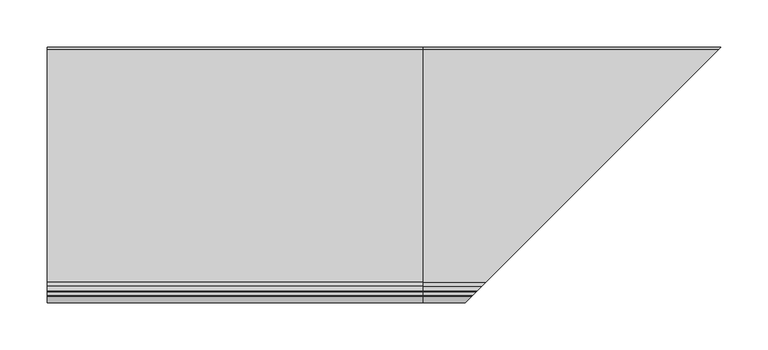
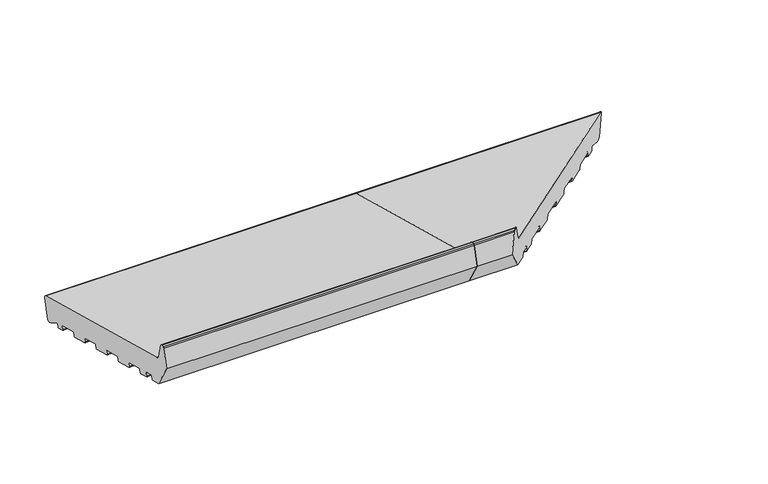
"""IFC4 building model written with IfcOpenShell, lengths in millimetres: proxy geometry."""

import ifcopenshell
import ifcopenshell.guid

model = None  # the IFC model being written
_history = None  # IfcOwnerHistory: only IFC2X3 demands one
_inside = {}  # id of a spatial element -> (the spatial element, [elements in it])
_under = {}  # id of a project, library or spatial element -> (it, [spatial elements below it])
_declared = {}  # id of a project -> (the project, [libraries it declares])
_typed = {}  # id of a type object -> (the type object, [elements of that type])
_made_of = {}  # id of a material, layer set ... -> (it, [elements and type objects made of it])


def new_model(schema):
    """Start an empty IFC model of exactly this schema.

    Asked for "IFC4X3", IfcOpenShell would pick the latest addendum, in which some entities
    have other attributes; the version numbers below select the first issue.
    IFC2X3 requires an IfcOwnerHistory on every rooted entity: one is made here for all.
    """
    global model, _history
    if schema == "IFC4X3":
        model = ifcopenshell.file(schema_version=(4, 3, 0, 0))
    else:
        model = ifcopenshell.file(schema=schema)
    _inside.clear()
    _under.clear()
    _declared.clear()
    _typed.clear()
    _made_of.clear()
    _history = None
    if model.schema == "IFC2X3":
        org = make("IfcOrganization", Name="unknown")
        user = make(
            "IfcPersonAndOrganization",
            ThePerson=make("IfcPerson", FamilyName="unknown"),
            TheOrganization=org,
        )
        app = make(
            "IfcApplication",
            ApplicationDeveloper=org,
            Version="unknown",
            ApplicationFullName="unknown",
            ApplicationIdentifier="unknown",
        )
        _history = make(
            "IfcOwnerHistory",
            OwningUser=user,
            OwningApplication=app,
            ChangeAction="ADDED",
            CreationDate=0,
        )
    return model


def make(cls, **values):
    """One entity of the class cls with the attributes given. An attribute that is None is left unset."""
    return model.create_entity(
        cls, **{name: value for name, value in values.items() if value is not None}
    )


def rooted(cls, **values):
    """An entity with a GlobalId (a new one), such as an element, a storey or a relation."""
    return make(cls, GlobalId=ifcopenshell.guid.new(), OwnerHistory=_history, **values)


def si_unit(unit_type, name, prefix=None):
    """IfcSIUnit, for example si_unit("LENGTHUNIT", "METRE", prefix="MILLI")."""
    return make("IfcSIUnit", UnitType=unit_type, Prefix=prefix, Name=name)


def assignment(units):
    """IfcUnitAssignment: the units of a project."""
    return None if units is None else make("IfcUnitAssignment", Units=units)


def point(xyz):
    """IfcCartesianPoint."""
    return None if xyz is None else make("IfcCartesianPoint", Coordinates=xyz)


def direction(xyz):
    """IfcDirection."""
    return None if xyz is None else make("IfcDirection", DirectionRatios=xyz)


def frame(location, z_axis=None, x_axis=None):
    """IfcAxis2Placement3D, a coordinate frame: its origin and axes. An axis left out is left unset."""
    return make(
        "IfcAxis2Placement3D",
        Location=point(location),
        Axis=direction(z_axis),
        RefDirection=direction(x_axis),
    )


def frame_2d(location, x_axis=None):
    """IfcAxis2Placement2D, a coordinate frame in the plane: its origin and x axis."""
    return make(
        "IfcAxis2Placement2D", Location=point(location), RefDirection=direction(x_axis)
    )


def origin():
    """The frame at (0, 0, 0) with its axes left unset."""
    return frame((0.0, 0.0, 0.0))


def place(relative_to, where):
    """IfcLocalPlacement: puts the frame where relative to a parent placement (None: the world)."""
    return make(
        "IfcLocalPlacement", PlacementRelTo=relative_to, RelativePlacement=where
    )


def context(
    kind, dimensions, precision=None, world=None, true_north=None, identifier=None
):
    """IfcGeometricRepresentationContext, for example the 3D "Model" context."""
    return make(
        "IfcGeometricRepresentationContext",
        ContextIdentifier=identifier,
        ContextType=kind,
        CoordinateSpaceDimension=dimensions,
        Precision=precision,
        WorldCoordinateSystem=world,
        TrueNorth=true_north,
    )


def project(units=None, contexts=None):
    """IfcProject with its units and contexts."""
    return rooted(
        "IfcProject",
        Name="project",
        RepresentationContexts=contexts,
        UnitsInContext=assignment(units),
    )


def spatial(cls, under=None, at=None, **own):
    """A site, building, storey or space (cls), placed at a placement, below another one or the project."""
    s = rooted(cls, ObjectPlacement=at, **own)
    if under is not None:
        _under.setdefault(under.id(), (under, []))[1].append(s)
    return s


def polyline(points):
    """IfcPolyline through the points."""
    return make("IfcPolyline", Points=[point(p) for p in points])


def circle_curve(where, radius):
    """IfcCircle in the frame where."""
    return make("IfcCircle", Position=where, Radius=radius)


def ellipse_curve(where, semi_axis1, semi_axis2):
    """IfcEllipse in the frame where."""
    return make(
        "IfcEllipse", Position=where, SemiAxis1=semi_axis1, SemiAxis2=semi_axis2
    )


def trimmed(basis, trim1, trim2, sense, master):
    """IfcTrimmedCurve: the piece of a basis curve between two trims."""
    return make(
        "IfcTrimmedCurve",
        BasisCurve=basis,
        Trim1=trim1,
        Trim2=trim2,
        SenseAgreement=sense,
        MasterRepresentation=master,
    )


def segment(curve, same_sense, transition):
    """IfcCompositeCurveSegment."""
    return make(
        "IfcCompositeCurveSegment",
        Transition=transition,
        SameSense=same_sense,
        ParentCurve=curve,
    )


def composite_curve(segments, self_intersect=None):
    """IfcCompositeCurve: segments joined end to end."""
    return make("IfcCompositeCurve", Segments=segments, SelfIntersect=self_intersect)


def outline(outer, holes=None, kind="AREA"):
    """IfcArbitraryClosedProfileDef: a profile drawn as a closed curve; with holes, ...WithVoids."""
    if holes is None:
        return make("IfcArbitraryClosedProfileDef", ProfileType=kind, OuterCurve=outer)
    return make(
        "IfcArbitraryProfileDefWithVoids",
        ProfileType=kind,
        OuterCurve=outer,
        InnerCurves=holes,
    )


def extrude(swept, where, along, depth):
    """IfcExtrudedAreaSolid: the profile swept, set in the frame where, extruded along a direction by depth."""
    return make(
        "IfcExtrudedAreaSolid",
        SweptArea=swept,
        Position=where,
        ExtrudedDirection=direction(along),
        Depth=depth,
    )


def shape(context_of_items, identifier, shape_type, items):
    """IfcShapeRepresentation: the items that make up one representation, for example the "Body"."""
    return make(
        "IfcShapeRepresentation",
        ContextOfItems=context_of_items,
        RepresentationIdentifier=identifier,
        RepresentationType=shape_type,
        Items=items,
    )


def source(mapping_origin, context_of_items, identifier, shape_type, items):
    """IfcRepresentationMap: a shape defined once, which mapped items show again and again."""
    return make(
        "IfcRepresentationMap",
        MappingOrigin=mapping_origin,
        MappedRepresentation=shape(context_of_items, identifier, shape_type, items),
    )


def transform(
    local_origin,
    x_axis=None,
    y_axis=None,
    z_axis=None,
    scale=None,
    scale2=None,
    scale3=None,
    uniform=True,
):
    """IfcCartesianTransformationOperator3D, or its non-uniform kind. x_axis, y_axis, z_axis: its Axis1, 2, 3."""
    if uniform:
        return make(
            "IfcCartesianTransformationOperator3D",
            Axis1=direction(x_axis),
            Axis2=direction(y_axis),
            LocalOrigin=point(local_origin),
            Scale=scale,
            Axis3=direction(z_axis),
        )
    return make(
        "IfcCartesianTransformationOperator3DnonUniform",
        Axis1=direction(x_axis),
        Axis2=direction(y_axis),
        LocalOrigin=point(local_origin),
        Scale=scale,
        Axis3=direction(z_axis),
        Scale2=scale2,
        Scale3=scale3,
    )


def mapped(mapping_source, mapping_target):
    """IfcMappedItem: shows the shape of a source again, moved by a transform."""
    return make(
        "IfcMappedItem", MappingSource=mapping_source, MappingTarget=mapping_target
    )


def made_of(thing, what):
    """Note that an element or type object is made of a material, layer set ...; save() writes the relation."""
    if what is not None:
        _made_of.setdefault(what.id(), (what, []))[1].append(thing)
    return thing


def element(
    cls,
    number,
    at=None,
    inside=None,
    cuts=None,
    type_object=None,
    material=None,
    context=None,
    identifier="Body",
    shape_type=None,
    held_by="IfcProductDefinitionShape",
    body=None,
    shapes=None,
    **own,
):
    """One element of the class cls, such as IfcWall. Its Tag is "e" and its number.

    at: its placement. inside: the storey or other place that contains it. cuts: it is an
    opening in that element (IfcRelVoidsElement). A single representation is given by context,
    identifier, shape_type and body (its items); several are given by shapes. held_by: the class
    of the entity that holds the representations. save() writes the other relations.
    """
    e = rooted(cls, Tag="e%d" % number, ObjectPlacement=at, **own)
    if body is not None:
        shapes = [shape(context, identifier, shape_type, body)]
    if shapes is not None:
        e.Representation = make(held_by, Representations=shapes)
    if inside is not None:
        _inside.setdefault(inside.id(), (inside, []))[1].append(e)
    if cuts is not None:
        rooted(
            "IfcRelVoidsElement", RelatingBuildingElement=cuts, RelatedOpeningElement=e
        )
    if type_object is not None:
        _typed.setdefault(type_object.id(), (type_object, []))[1].append(e)
    return made_of(e, material)


def aggregate(whole, parts):
    """IfcRelAggregates: a whole, such as a stair, and the parts it consists of."""
    return rooted("IfcRelAggregates", RelatingObject=whole, RelatedObjects=parts)


def save(model, path):
    """Write the relations noted so far, then the file.

    IfcRelAggregates (storeys below a building ...), IfcRelContainedInSpatialStructure (elements
    in a storey), IfcRelDefinesByType, IfcRelAssociatesMaterial and IfcRelDeclares: one each for
    every whole, place, type object, material and project.
    """
    for whole, parts in _under.values():
        aggregate(whole, parts)
    for where, things in _inside.values():
        rooted(
            "IfcRelContainedInSpatialStructure",
            RelatedElements=things,
            RelatingStructure=where,
        )
    for kind, things in _typed.values():
        rooted("IfcRelDefinesByType", RelatedObjects=things, RelatingType=kind)
    for what, things in _made_of.values():
        rooted("IfcRelAssociatesMaterial", RelatedObjects=things, RelatingMaterial=what)
    for by, libraries in _declared.values():
        rooted("IfcRelDeclares", RelatingContext=by, RelatedDefinitions=libraries)
    model.write(path)


def plane_surface(at):
    """IfcPlane: the flat surface through the origin of the frame at, square to its z axis."""
    return make("IfcPlane", Position=at)


def cylinder_surface(at, radius):
    """IfcCylindricalSurface: all points at the distance radius from the z axis of the frame at."""
    return make("IfcCylindricalSurface", Position=at, Radius=radius)


def revolved_surface(curve, axis_point, axis_direction):
    """IfcSurfaceOfRevolution: the curve turned about the line through axis_point along axis_direction."""
    return make(
        "IfcSurfaceOfRevolution",
        SweptCurve=make("IfcArbitraryOpenProfileDef", ProfileType="CURVE", Curve=curve),
        AxisPosition=make("IfcAxis1Placement", Location=point(axis_point), Axis=direction(axis_direction)),
    )


def advanced_brep(points, edges, surfaces, faces):
    """IfcAdvancedBrep: a solid bounded by faces that lie on surfaces and meet in shared edges.

    An edge is (start, end): straight between two places in points (the first is 0);
    or (start, end, curve); or (start, end, curve, False) where it runs against its curve.
    A face is (place in surfaces, loops), or (place, loops, False) where it looks against
    its surface's normal. A loop lists edges by number (the first is 1), with a minus sign
    where the edge is run from its end to its start. The first loop is the outer one.
    """
    corners = [point(p) for p in points]
    vertices = [make("IfcVertexPoint", VertexGeometry=c) for c in corners]
    made = []
    for start, end, *more in edges:
        made.append(
            make(
                "IfcEdgeCurve",
                EdgeStart=vertices[start],
                EdgeEnd=vertices[end],
                EdgeGeometry=more[0] if more else make("IfcPolyline", Points=[corners[start], corners[end]]),
                SameSense=more[1] if len(more) > 1 else True,
            )
        )
    hull = []
    for where, loops, *sense in faces:
        bounds = []
        for j, loop in enumerate(loops):
            ring = [make("IfcOrientedEdge", EdgeElement=made[abs(k) - 1], Orientation=k > 0) for k in loop]
            bounds.append(
                make(
                    "IfcFaceOuterBound" if j == 0 else "IfcFaceBound",
                    Bound=make("IfcEdgeLoop", EdgeList=ring),
                    Orientation=True,
                )
            )
        hull.append(make("IfcAdvancedFace", Bounds=bounds, FaceSurface=surfaces[where], SameSense=sense[0] if sense else True))
    return make("IfcAdvancedBrep", Outer=make("IfcClosedShell", CfsFaces=hull))


def generic_models_9fc6a334(model_context):
    return source(origin(), model_context, "Body", "SolidModel", [
        advanced_brep(
        [(400.0, 24.3497968, 5.5107678), (400.0, 21.6330192, 6.2387261), (400.0, 7.4647895, 14.8261724), (400.0, 5.9805337, 14.2298107), (400.0, 5.0312803, 10.6871487), (400.0, 3.8065354, 9.9800419), (400.0, -4.886797, 12.3094133), (400.0, -5.5939038, 13.5341582), (400.0, -4.5586276, 17.3978615), (400.0, -5.2657344, 18.6226064), (400.0, -28.4479542, 24.8342634), (400.0, -29.6726991, 24.1271567), (400.0, -30.7079753, 20.2634534), (400.0, -31.9327202, 19.5563466), (400.0, -54.1490142, 25.5091846), (400.0, -54.856121, 26.7339295), (400.0, -53.8208448, 30.5976328), (400.0, -54.5279516, 31.8223777), (400.0, -77.7101714, 38.0340347), (400.0, -78.9349163, 37.326928), (400.0, -79.9701924, 33.4632247), (400.0, -81.1949373, 32.7561179), (400.0, -103.4112313, 38.7089559), (400.0, -104.1183381, 39.9337008), (400.0, -103.0830619, 43.7974041), (400.0, -103.7901687, 45.022149), (400.0, -126.9723885, 51.233806), (400.0, -128.1971334, 50.5266993), (400.0, -129.2324096, 46.662996), (400.0, -130.4571545, 45.9558892), (400.0, -152.6734485, 51.9087272), (400.0, -153.3805552, 53.1334721), (400.0, -152.3452791, 56.9971754), (400.0, -153.0523858, 58.2219203), (400.0, -176.2346057, 64.4335773), (400.0, -177.4593505, 63.7264706), (400.0, -178.4946267, 59.8627673), (400.0, -179.7193716, 59.1556605), (400.0, -192.2764073, 62.5203081), (400.0, -192.9835141, 63.7450529), (400.0, -191.9482379, 67.6087562), (400.0, -192.6553447, 68.8335011), (400.0, -202.314603, 71.4216916), (400.0, -203.5393479, 70.7145848), (400.0, -204.574624, 66.8508815), (400.0, -205.7993689, 66.1437747), (400.0, -219.3223305, 69.7672413), (400.0, -237.0, 100.3858631), (400.0, -230.4291321, 124.908676), (400.0, -228.9802434, 126.0204474), (400.0, -225.6368689, 126.0204474), (400.0, -224.1879801, 124.908676), (400.0, -219.4052841, 107.0594112), (400.0, -215.1626434, 102.8167705), (400.0, 32.6320062, 36.4203942), (400.0, 34.7533266, 32.7461596), (400.0, 28.0240314, 7.6320881), (710.0240314, 28.0240314, 7.6320881), (706.3497968, 24.3497968, 5.5107678), (716.7533266, 34.7533266, 32.7461596), (714.6320062, 32.6320062, 36.4203942), (466.8373566, -215.1626434, 102.8167705), (462.5947159, -219.4052841, 107.0594112), (457.8120199, -224.1879801, 124.908676), (456.3631311, -225.6368689, 126.0204474), (453.0197566, -228.9802434, 126.0204474), (451.5708679, -230.4291321, 124.908676), (445.0, -237.0, 100.3858631), (462.6776695, -219.3223305, 69.7672413), (476.2006311, -205.7993689, 66.1437747), (477.425376, -204.574624, 66.8508815), (478.4606521, -203.5393479, 70.7145848), (479.685397, -202.314603, 71.4216916), (489.3446553, -192.6553447, 68.8335011), (490.0517621, -191.9482379, 67.6087562), (489.0164859, -192.9835141, 63.7450529), (489.7235927, -192.2764073, 62.5203081), (502.2806284, -179.7193716, 59.1556605), (503.5053733, -178.4946267, 59.8627673), (504.5406495, -177.4593505, 63.7264706), (505.7653943, -176.2346057, 64.4335773), (703.6330192, 21.6330192, 6.2387261), (528.9476142, -153.0523858, 58.2219203), (529.3265515, -152.6734485, 51.9087272), (528.6194448, -153.3805552, 53.1334721), (529.6547209, -152.3452791, 56.9971754), (551.5428455, -130.4571545, 45.9558892), (552.7675904, -129.2324096, 46.662996), (553.8028666, -128.1971334, 50.5266993), (555.0276115, -126.9723885, 51.233806), (578.2098313, -103.7901687, 45.022149), (578.9169381, -103.0830619, 43.7974041), (577.8816619, -104.1183381, 39.9337008), (578.5887687, -103.4112313, 38.7089559), (600.8050627, -81.1949373, 32.7561179), (602.0298076, -79.9701924, 33.4632247), (603.0650837, -78.9349163, 37.326928), (604.2898286, -77.7101714, 38.0340347), (627.4720484, -54.5279516, 31.8223777), (628.1791552, -53.8208448, 30.5976328), (627.143879, -54.856121, 26.7339295), (627.8509858, -54.1490142, 25.5091846), (650.0672798, -31.9327202, 19.5563466), (651.2920247, -30.7079753, 20.2634534), (652.3273009, -29.6726991, 24.1271567), (653.5520458, -28.4479542, 24.8342634), (676.7342656, -5.2657344, 18.6226064), (677.4413724, -4.5586276, 17.3978615), (676.4060962, -5.5939038, 13.5341582), (677.113203, -4.886797, 12.3094133), (685.8065354, 3.8065354, 9.9800419), (687.0312803, 5.0312803, 10.6871487), (687.9805337, 5.9805337, 14.2298107), (689.4647895, 7.4647895, 14.8261724)],
        [
            (0, 1),
            (1, 2),
            (2, 3, circle_curve(frame((400.0, 6.9464595, 13.9709917), z_axis=(1.0, 0.0, 0.0), x_axis=(0.0, 1.0, 0.0)), 1.0)),
            (3, 4),
            (4, 5, circle_curve(frame((400.0, 4.0653544, 10.9459677), z_axis=(-1.0, 0.0, 0.0), x_axis=(0.0, 1.0, 0.0)), 1.0)),
            (5, 6),
            (6, 7, circle_curve(frame((400.0, -4.627978, 13.2753391), z_axis=(-1.0, 0.0, 0.0), x_axis=(0.0, 1.0, 0.0)), 1.0)),
            (7, 8),
            (8, 9, circle_curve(frame((400.0, -5.5245535, 17.6566805), z_axis=(1.0, 0.0, 0.0), x_axis=(0.0, 1.0, 0.0)), 1.0)),
            (9, 10),
            (10, 11, circle_curve(frame((400.0, -28.7067733, 23.8683376), z_axis=(1.0, 0.0, 0.0), x_axis=(0.0, 1.0, 0.0)), 1.0)),
            (11, 12),
            (12, 13, circle_curve(frame((400.0, -31.6739011, 20.5222724), z_axis=(-1.0, 0.0, 0.0), x_axis=(0.0, 1.0, 0.0)), 1.0)),
            (13, 14),
            (14, 15, circle_curve(frame((400.0, -53.8901951, 26.4751104), z_axis=(-1.0, 0.0, 0.0), x_axis=(0.0, 1.0, 0.0)), 1.0)),
            (15, 16),
            (16, 17, circle_curve(frame((400.0, -54.7867706, 30.8564518), z_axis=(1.0, 0.0, 0.0), x_axis=(0.0, 1.0, 0.0)), 1.0)),
            (17, 18),
            (18, 19, circle_curve(frame((400.0, -77.9689904, 37.0681089), z_axis=(1.0, 0.0, 0.0), x_axis=(0.0, 1.0, 0.0)), 1.0)),
            (19, 20),
            (20, 21, circle_curve(frame((400.0, -80.9361183, 33.7220437), z_axis=(-1.0, 0.0, 0.0), x_axis=(0.0, 1.0, 0.0)), 1.0)),
            (21, 22),
            (22, 23, circle_curve(frame((400.0, -103.1524123, 39.6748817), z_axis=(-1.0, 0.0, 0.0), x_axis=(0.0, 1.0, 0.0)), 1.0)),
            (23, 24),
            (24, 25, circle_curve(frame((400.0, -104.0489877, 44.0562231), z_axis=(1.0, 0.0, 0.0), x_axis=(0.0, 1.0, 0.0)), 1.0)),
            (25, 26),
            (26, 27, circle_curve(frame((400.0, -127.2312076, 50.2678802), z_axis=(1.0, 0.0, 0.0), x_axis=(0.0, 1.0, 0.0)), 1.0)),
            (27, 28),
            (28, 29, circle_curve(frame((400.0, -130.1983354, 46.921815), z_axis=(-1.0, 0.0, 0.0), x_axis=(0.0, 1.0, 0.0)), 1.0)),
            (29, 30),
            (30, 31, circle_curve(frame((400.0, -152.4146294, 52.874653), z_axis=(-1.0, 0.0, 0.0), x_axis=(0.0, 1.0, 0.0)), 1.0)),
            (31, 32),
            (32, 33, circle_curve(frame((400.0, -153.3112049, 57.2559944), z_axis=(1.0, 0.0, 0.0), x_axis=(0.0, 1.0, 0.0)), 1.0)),
            (33, 34),
            (34, 35, circle_curve(frame((400.0, -176.4934247, 63.4676515), z_axis=(1.0, 0.0, 0.0), x_axis=(0.0, 1.0, 0.0)), 1.0)),
            (35, 36),
            (36, 37, circle_curve(frame((400.0, -179.4605525, 60.1215863), z_axis=(-1.0, 0.0, 0.0), x_axis=(0.0, 1.0, 0.0)), 1.0)),
            (37, 38),
            (38, 39, circle_curve(frame((400.0, -192.0175883, 63.4862339), z_axis=(-1.0, 0.0, 0.0), x_axis=(0.0, 1.0, 0.0)), 1.0)),
            (39, 40),
            (40, 41, circle_curve(frame((400.0, -192.9141638, 67.8675753), z_axis=(1.0, 0.0, 0.0), x_axis=(0.0, 1.0, 0.0)), 1.0)),
            (41, 42),
            (42, 43, circle_curve(frame((400.0, -202.573422, 70.4557657), z_axis=(1.0, 0.0, 0.0), x_axis=(0.0, 1.0, 0.0)), 1.0)),
            (43, 44),
            (44, 45, circle_curve(frame((400.0, -205.5405499, 67.1097005), z_axis=(-1.0, 0.0, 0.0), x_axis=(0.0, 1.0, 0.0)), 1.0)),
            (45, 46),
            (46, 47),
            (47, 48),
            (48, 49, circle_curve(frame((400.0, -228.9802434, 124.5204474), z_axis=(-1.0, 0.0, 0.0), x_axis=(0.0, 1.0, 0.0)), 1.5)),
            (49, 50),
            (50, 51, circle_curve(frame((400.0, -225.6368689, 124.5204474), z_axis=(-1.0, 0.0, 0.0), x_axis=(0.0, 1.0, 0.0)), 1.5)),
            (51, 52),
            (52, 53, circle_curve(frame((400.0, -213.6097291, 108.6123254), z_axis=(1.0, 0.0, 0.0), x_axis=(0.0, 1.0, 0.0)), 6.0)),
            (53, 54),
            (54, 55, circle_curve(frame((400.0, 31.8555491, 33.5226168), z_axis=(-1.0, 0.0, 0.0), x_axis=(0.0, 1.0, 0.0)), 3.0)),
            (55, 56),
            (56, 0, circle_curve(frame((400.0, 25.1262539, 8.4085453), z_axis=(-1.0, 0.0, 0.0), x_axis=(0.0, 1.0, 0.0)), 3.0)),
            (56, 57),
            (57, 58, ellipse_curve(frame((707.1262539, 25.1262539, 8.4085453), z_axis=(-0.707106781186548, 0.7071067811865471, 0.0), x_axis=(0.707106781186547, 0.707106781186548, 0.0)), 4.2426407, 3.0)),
            (58, 0),
            (55, 59),
            (59, 57),
            (54, 60),
            (60, 59, ellipse_curve(frame((713.8555491, 31.8555491, 33.5226168), z_axis=(-0.707106781186548, 0.7071067811865471, 0.0), x_axis=(0.707106781186547, 0.707106781186548, 0.0)), 4.2426407, 3.0)),
            (53, 61),
            (61, 60),
            (52, 62),
            (62, 61, ellipse_curve(frame((468.3902709, -213.6097291, 108.6123254), z_axis=(0.707106781186548, -0.7071067811865471, 0.0), x_axis=(-0.707106781186547, -0.707106781186548, 0.0)), 8.4852814, 6.0)),
            (51, 63),
            (63, 62),
            (50, 64),
            (64, 63, ellipse_curve(frame((456.3631311, -225.6368689, 124.5204474), z_axis=(-0.707106781186548, 0.7071067811865471, 0.0), x_axis=(0.707106781186547, 0.707106781186548, 0.0)), 2.1213203, 1.5)),
            (49, 65),
            (65, 64),
            (48, 66),
            (66, 65, ellipse_curve(frame((453.0197566, -228.9802434, 124.5204474), z_axis=(-0.707106781186548, 0.7071067811865471, 0.0), x_axis=(0.707106781186547, 0.707106781186548, 0.0)), 2.1213203, 1.5)),
            (47, 67),
            (67, 66),
            (46, 68),
            (68, 67),
            (45, 69),
            (69, 68),
            (44, 70),
            (70, 69, ellipse_curve(frame((476.4594501, -205.5405499, 67.1097005), z_axis=(-0.707106781186548, 0.7071067811865471, 0.0), x_axis=(0.707106781186547, 0.707106781186548, 0.0)), 1.4142136, 1.0)),
            (43, 71),
            (71, 70),
            (42, 72),
            (72, 71, ellipse_curve(frame((479.426578, -202.573422, 70.4557657), z_axis=(0.707106781186548, -0.7071067811865471, 0.0), x_axis=(-0.707106781186547, -0.707106781186548, 0.0)), 1.4142136, 1.0)),
            (41, 73),
            (73, 72),
            (40, 74),
            (74, 73, ellipse_curve(frame((489.0858362, -192.9141638, 67.8675753), z_axis=(0.707106781186548, -0.7071067811865471, 0.0), x_axis=(-0.707106781186547, -0.707106781186548, 0.0)), 1.4142136, 1.0)),
            (39, 75),
            (75, 74),
            (38, 76),
            (76, 75, ellipse_curve(frame((489.9824117, -192.0175883, 63.4862339), z_axis=(-0.707106781186548, 0.7071067811865471, 0.0), x_axis=(0.707106781186547, 0.707106781186548, 0.0)), 1.4142136, 1.0)),
            (37, 77),
            (77, 76),
            (36, 78),
            (78, 77, ellipse_curve(frame((502.5394475, -179.4605525, 60.1215863), z_axis=(-0.707106781186548, 0.7071067811865471, 0.0), x_axis=(0.707106781186547, 0.707106781186548, 0.0)), 1.4142136, 1.0)),
            (35, 79),
            (79, 78),
            (34, 80),
            (80, 79, ellipse_curve(frame((505.5065753, -176.4934247, 63.4676515), z_axis=(0.707106781186548, -0.7071067811865471, 0.0), x_axis=(-0.707106781186547, -0.707106781186548, 0.0)), 1.4142136, 1.0)),
            (58, 81),
            (81, 1),
            (33, 82),
            (82, 80),
            (30, 83),
            (83, 84, ellipse_curve(frame((529.5853706, -152.4146294, 52.874653), z_axis=(-0.707106781186548, 0.7071067811865471, 0.0), x_axis=(0.707106781186547, 0.707106781186548, 0.0)), 1.4142136, 1.0)),
            (84, 31),
            (84, 85),
            (85, 32),
            (85, 82, ellipse_curve(frame((528.6887951, -153.3112049, 57.2559944), z_axis=(0.707106781186548, -0.7071067811865471, 0.0), x_axis=(-0.707106781186547, -0.707106781186548, 0.0)), 1.4142136, 1.0)),
            (29, 86),
            (86, 83),
            (28, 87),
            (87, 86, ellipse_curve(frame((551.8016646, -130.1983354, 46.921815), z_axis=(-0.707106781186548, 0.7071067811865471, 0.0), x_axis=(0.707106781186547, 0.707106781186548, 0.0)), 1.4142136, 1.0)),
            (27, 88),
            (88, 87),
            (26, 89),
            (89, 88, ellipse_curve(frame((554.7687924, -127.2312076, 50.2678802), z_axis=(0.707106781186548, -0.7071067811865471, 0.0), x_axis=(-0.707106781186547, -0.707106781186548, 0.0)), 1.4142136, 1.0)),
            (25, 90),
            (90, 89),
            (90, 91, ellipse_curve(frame((577.9510123, -104.0489877, 44.0562231), z_axis=(-0.707106781186548, 0.7071067811865471, 0.0), x_axis=(-0.707106781186547, -0.707106781186548, 0.0)), 1.4142136, 1.0)),
            (91, 92),
            (92, 93, ellipse_curve(frame((578.8475877, -103.1524123, 39.6748817), z_axis=(0.707106781186548, -0.7071067811865471, 0.0), x_axis=(0.707106781186547, 0.707106781186548, 0.0)), 1.4142136, 1.0)),
            (93, 94),
            (94, 95, ellipse_curve(frame((601.0638817, -80.9361183, 33.7220437), z_axis=(0.707106781186548, -0.7071067811865471, 0.0), x_axis=(0.707106781186547, 0.707106781186548, 0.0)), 1.4142136, 1.0)),
            (95, 96),
            (96, 97, ellipse_curve(frame((604.0310096, -77.9689904, 37.0681089), z_axis=(-0.707106781186548, 0.7071067811865471, 0.0), x_axis=(-0.707106781186547, -0.707106781186548, 0.0)), 1.4142136, 1.0)),
            (97, 98),
            (98, 99, ellipse_curve(frame((627.2132294, -54.7867706, 30.8564518), z_axis=(-0.707106781186548, 0.7071067811865471, 0.0), x_axis=(-0.707106781186547, -0.707106781186548, 0.0)), 1.4142136, 1.0)),
            (99, 100),
            (100, 101, ellipse_curve(frame((628.1098049, -53.8901951, 26.4751104), z_axis=(0.707106781186548, -0.7071067811865471, 0.0), x_axis=(0.707106781186547, 0.707106781186548, 0.0)), 1.4142136, 1.0)),
            (101, 102),
            (102, 103, ellipse_curve(frame((650.3260989, -31.6739011, 20.5222724), z_axis=(0.707106781186548, -0.7071067811865471, 0.0), x_axis=(0.707106781186547, 0.707106781186548, 0.0)), 1.4142136, 1.0)),
            (103, 104),
            (104, 105, ellipse_curve(frame((653.2932267, -28.7067733, 23.8683376), z_axis=(-0.707106781186548, 0.7071067811865471, 0.0), x_axis=(-0.707106781186547, -0.707106781186548, 0.0)), 1.4142136, 1.0)),
            (105, 106),
            (106, 107, ellipse_curve(frame((676.4754465, -5.5245535, 17.6566805), z_axis=(-0.707106781186548, 0.7071067811865471, 0.0), x_axis=(-0.707106781186547, -0.707106781186548, 0.0)), 1.4142136, 1.0)),
            (107, 108),
            (108, 109, ellipse_curve(frame((677.372022, -4.627978, 13.2753391), z_axis=(0.707106781186548, -0.7071067811865471, 0.0), x_axis=(0.707106781186547, 0.707106781186548, 0.0)), 1.4142136, 1.0)),
            (109, 110),
            (110, 111, ellipse_curve(frame((686.0653544, 4.0653544, 10.9459677), z_axis=(0.707106781186548, -0.7071067811865471, 0.0), x_axis=(0.707106781186547, 0.707106781186548, 0.0)), 1.4142136, 1.0)),
            (111, 112),
            (112, 113, ellipse_curve(frame((688.9464595, 6.9464595, 13.9709917), z_axis=(-0.707106781186548, 0.7071067811865471, 0.0), x_axis=(-0.707106781186547, -0.707106781186548, 0.0)), 1.4142136, 1.0)),
            (113, 81),
            (17, 98),
            (97, 18),
            (96, 19),
            (95, 20),
            (94, 21),
            (93, 22),
            (92, 23),
            (91, 24),
            (9, 106),
            (105, 10),
            (104, 11),
            (103, 12),
            (102, 13),
            (101, 14),
            (100, 15),
            (99, 16),
            (113, 2),
            (112, 3),
            (111, 4),
            (110, 5),
            (109, 6),
            (108, 7),
            (107, 8),
        ],
        [
            plane_surface(frame((400.0, 0.0, 0.0), z_axis=(-1.0, 0.0, 0.0), x_axis=(0.0, 0.0, 1.0))),
            cylinder_surface(frame((717.4826586, 25.1262539, 8.4085453), z_axis=(1.0, 0.0, 0.0), x_axis=(0.0, 1.0, 0.0)), 3.0),
            plane_surface(frame((717.4826586, 34.7533266, 32.7461596), z_axis=(0.0, 0.9659258262890676, -0.2588190451025235), x_axis=(-1.0, 0.0, 0.0))),
            cylinder_surface(frame((717.4826586, 31.8555491, 33.5226168), z_axis=(1.0, 0.0, 0.0), x_axis=(0.0, 1.0, 0.0)), 3.0),
            plane_surface(frame((717.4826586, -215.1626434, 102.8167705), z_axis=(0.0, 0.2588190451025206, 0.9659258262890683), x_axis=(-1.0, 0.0, 0.0))),
            revolved_surface(polyline([(400.0, -207.6097291, 108.6123254), (474.39027091821606, -207.6097291, 108.6123254)]), (717.4826586, -213.6097291, 108.6123254), (-1.0, 0.0, 0.0)),
            plane_surface(frame((717.4826586, -224.1879801, 124.908676), z_axis=(0.0, 0.96592582628907, 0.2588190451025146), x_axis=(-1.0, 0.0, 0.0))),
            cylinder_surface(frame((717.4826586, -225.6368689, 124.5204474), z_axis=(1.0, 0.0, 0.0), x_axis=(0.0, 1.0, 0.0)), 1.5),
            plane_surface(frame((717.4826586, -228.9802434, 126.0204474), z_axis=(0.0, 0.0, 1.0), x_axis=(-1.0, 0.0, 0.0))),
            cylinder_surface(frame((717.4826586, -228.9802434, 124.5204474), z_axis=(1.0, 0.0, 0.0), x_axis=(0.0, 1.0, 0.0)), 1.5),
            plane_surface(frame((717.4826586, -237.0, 100.3858631), z_axis=(0.0, -0.9659258262890683, 0.2588190451025209), x_axis=(-1.0, 0.0, 0.0))),
            plane_surface(frame((717.4826586, -219.3223305, 69.7672413), z_axis=(0.0, -0.8660254037844384, -0.5000000000000007), x_axis=(-1.0, 0.0, 0.0))),
            plane_surface(frame((717.4826586, -205.7993689, 66.1437747), z_axis=(0.0, -0.2588190451025184, -0.965925826289069), x_axis=(-1.0, 0.0, 0.0))),
            cylinder_surface(frame((717.4826586, -205.5405499, 67.1097005), z_axis=(1.0, 0.0, 0.0), x_axis=(0.0, 1.0, 0.0)), 1.0),
            plane_surface(frame((717.4826586, -203.5393479, 70.7145848), z_axis=(0.0, 0.9659258262890633, -0.25881904510253945), x_axis=(-1.0, 0.0, 0.0))),
            revolved_surface(polyline([(400.0, -201.573422, 70.4557657), (480.42657802660625, -201.573422, 70.4557657)]), (717.4826586, -202.573422, 70.4557657), (-1.0, 0.0, 0.0)),
            plane_surface(frame((717.4826586, -192.6553447, 68.8335011), z_axis=(0.0, -0.25881904510251835, -0.965925826289069), x_axis=(-1.0, 0.0, 0.0))),
            revolved_surface(polyline([(400.0, -191.9141638, 67.8675753), (490.08583622660626, -191.9141638, 67.8675753)]), (717.4826586, -192.9141638, 67.8675753), (-1.0, 0.0, 0.0)),
            plane_surface(frame((717.4826586, -192.9835141, 63.7450529), z_axis=(0.0, -0.9659258262890634, 0.2588190451025389), x_axis=(-1.0, 0.0, 0.0))),
            cylinder_surface(frame((717.4826586, -192.0175883, 63.4862339), z_axis=(1.0, 0.0, 0.0), x_axis=(0.0, 1.0, 0.0)), 1.0),
            plane_surface(frame((717.4826586, -179.7193716, 59.1556605), z_axis=(0.0, -0.2588190451025211, -0.9659258262890682), x_axis=(-1.0, 0.0, 0.0))),
            cylinder_surface(frame((717.4826586, -179.4605525, 60.1215863), z_axis=(1.0, 0.0, 0.0), x_axis=(0.0, 1.0, 0.0)), 1.0),
            plane_surface(frame((717.4826586, -177.4593505, 63.7264706), z_axis=(0.0, 0.9659258262890634, -0.2588190451025389), x_axis=(-1.0, 0.0, 0.0))),
            revolved_surface(polyline([(400.0, -175.4934247, 63.4676515), (506.50657532660625, -175.4934247, 63.4676515)]), (717.4826586, -176.4934247, 63.4676515), (-1.0, 0.0, 0.0)),
            plane_surface(frame((717.4826586, 24.3497968, 5.5107678), z_axis=(0.0, -0.2588190451025044, -0.9659258262890728), x_axis=(-1.0, 0.0, 0.0))),
            plane_surface(frame((717.4826586, -153.0523858, 58.2219203), z_axis=(0.0, -0.2588190451025228, -0.9659258262890678), x_axis=(-1.0, 0.0, 0.0))),
            cylinder_surface(frame((717.4826586, -152.4146294, 52.874653), z_axis=(1.0, 0.0, 0.0), x_axis=(0.0, 1.0, 0.0)), 1.0),
            plane_surface(frame((717.4826586, -153.3805552, 53.1334721), z_axis=(0.0, -0.9659258262890634, 0.2588190451025389), x_axis=(-1.0, 0.0, 0.0))),
            revolved_surface(polyline([(400.0, -152.3112049, 57.2559944), (529.6887951266062, -152.3112049, 57.2559944)]), (717.4826586, -153.3112049, 57.2559944), (-1.0, 0.0, 0.0)),
            plane_surface(frame((717.4826586, -130.4571545, 45.9558892), z_axis=(0.0, -0.2588190451025197, -0.9659258262890685), x_axis=(-1.0, 0.0, 0.0))),
            cylinder_surface(frame((717.4826586, -130.1983354, 46.921815), z_axis=(1.0, 0.0, 0.0), x_axis=(0.0, 1.0, 0.0)), 1.0),
            plane_surface(frame((717.4826586, -128.1971334, 50.5266993), z_axis=(0.0, 0.9659258262890634, -0.2588190451025389), x_axis=(-1.0, 0.0, 0.0))),
            revolved_surface(polyline([(400.0, -126.2312076, 50.2678802), (555.7687924266063, -126.2312076, 50.2678802)]), (717.4826586, -127.2312076, 50.2678802), (-1.0, 0.0, 0.0)),
            plane_surface(frame((717.4826586, -103.7901687, 45.022149), z_axis=(0.0, -0.2588190451025182, -0.965925826289069), x_axis=(-1.0, 0.0, 0.0))),
            plane_surface(frame((663.2588285, -18.7411715, 0.0), z_axis=(0.707106781186548, -0.7071067811865471, 0.0), x_axis=(0.0, 0.0, 1.0))),
            plane_surface(frame((717.4826586, -54.5279516, 31.8223777), z_axis=(0.0, -0.2588190451025182, -0.965925826289069), x_axis=(-1.0, 0.0, 0.0))),
            revolved_surface(polyline([(400.0, -76.9689904, 37.0681089), (605.0310096266062, -76.9689904, 37.0681089)]), (717.4826586, -77.9689904, 37.0681089), (-1.0, 0.0, 0.0)),
            plane_surface(frame((717.4826586, -78.9349163, 37.326928), z_axis=(0.0, 0.9659258262890623, -0.2588190451025431), x_axis=(-1.0, 0.0, 0.0))),
            cylinder_surface(frame((717.4826586, -80.9361183, 33.7220437), z_axis=(1.0, 0.0, 0.0), x_axis=(0.0, 1.0, 0.0)), 1.0),
            plane_surface(frame((717.4826586, -81.1949373, 32.7561179), z_axis=(0.0, -0.2588190451025201, -0.9659258262890685), x_axis=(-1.0, 0.0, 0.0))),
            cylinder_surface(frame((717.4826586, -103.1524123, 39.6748817), z_axis=(1.0, 0.0, 0.0), x_axis=(0.0, 1.0, 0.0)), 1.0),
            plane_surface(frame((717.4826586, -104.1183381, 39.9337008), z_axis=(0.0, -0.9659258262890634, 0.2588190451025389), x_axis=(-1.0, 0.0, 0.0))),
            revolved_surface(polyline([(400.0, -103.0489877, 44.0562231), (578.9510123266062, -103.0489877, 44.0562231)]), (717.4826586, -104.0489877, 44.0562231), (-1.0, 0.0, 0.0)),
            plane_surface(frame((717.4826586, -5.2657344, 18.6226064), z_axis=(0.0, -0.25881904510252035, -0.9659258262890684), x_axis=(-1.0, 0.0, 0.0))),
            revolved_surface(polyline([(400.0, -27.7067733, 23.8683376), (654.2932267266062, -27.7067733, 23.8683376)]), (717.4826586, -28.7067733, 23.8683376), (-1.0, 0.0, 0.0)),
            plane_surface(frame((717.4826586, -29.6726991, 24.1271567), z_axis=(0.0, 0.9659258262890703, -0.2588190451025135), x_axis=(-1.0, 0.0, 0.0))),
            cylinder_surface(frame((717.4826586, -31.6739011, 20.5222724), z_axis=(1.0, 0.0, 0.0), x_axis=(0.0, 1.0, 0.0)), 1.0),
            plane_surface(frame((717.4826586, -31.9327202, 19.5563466), z_axis=(0.0, -0.2588190451025211, -0.9659258262890682), x_axis=(-1.0, 0.0, 0.0))),
            cylinder_surface(frame((717.4826586, -53.8901951, 26.4751104), z_axis=(1.0, 0.0, 0.0), x_axis=(0.0, 1.0, 0.0)), 1.0),
            plane_surface(frame((717.4826586, -54.856121, 26.7339295), z_axis=(0.0, -0.9659258262890782, 0.2588190451024839), x_axis=(-1.0, 0.0, 0.0))),
            revolved_surface(polyline([(400.0, -53.7867706, 30.8564518), (628.2132294266063, -53.7867706, 30.8564518)]), (717.4826586, -54.7867706, 30.8564518), (-1.0, 0.0, 0.0)),
            plane_surface(frame((717.4826586, 21.6330192, 6.2387261), z_axis=(0.0, -0.51832998343298, -0.8551806991942502), x_axis=(-1.0, 0.0, 0.0))),
            revolved_surface(polyline([(400.0, 7.9464595, 13.9709917), (689.9464595266062, 7.9464595, 13.9709917)]), (717.4826586, 6.9464595, 13.9709917), (-1.0, 0.0, 0.0)),
            plane_surface(frame((717.4826586, 5.9805337, 14.2298107), z_axis=(0.0, 0.9659258262890684, -0.2588190451025206), x_axis=(-1.0, 0.0, 0.0))),
            cylinder_surface(frame((717.4826586, 4.0653544, 10.9459677), z_axis=(1.0, 0.0, 0.0), x_axis=(0.0, 1.0, 0.0)), 1.0),
            plane_surface(frame((717.4826586, 3.8065354, 9.9800419), z_axis=(0.0, -0.2588190451025218, -0.9659258262890681), x_axis=(-1.0, 0.0, 0.0))),
            cylinder_surface(frame((717.4826586, -4.627978, 13.2753391), z_axis=(1.0, 0.0, 0.0), x_axis=(0.0, 1.0, 0.0)), 1.0),
            plane_surface(frame((717.4826586, -5.5939038, 13.5341582), z_axis=(0.0, -0.9659258262890701, 0.25881904510251386), x_axis=(-1.0, 0.0, 0.0))),
            revolved_surface(polyline([(400.0, -4.5245535, 17.6566805), (677.4754465266062, -4.5245535, 17.6566805)]), (717.4826586, -5.5245535, 17.6566805), (-1.0, 0.0, 0.0)),
        ],
        [
            (0, [[1, 2, 3, 4, 5, 6, 7, 8, 9, 10, 11, 12, 13, 14, 15, 16, 17, 18, 19, 20, 21, 22, 23, 24, 25, 26, 27, 28, 29, 30, 31, 32, 33, 34, 35, 36, 37, 38, 39, 40, 41, 42, 43, 44, 45, 46, 47, 48, 49, 50, 51, 52, 53, 54, 55, 56, 57]]),
            (1, [[58, 59, 60, -57]]),
            (2, [[61, 62, -58, -56]]),
            (3, [[63, 64, -61, -55]]),
            (4, [[65, 66, -63, -54]]),
            (5, [[67, 68, -65, -53]]),
            (6, [[69, 70, -67, -52]]),
            (7, [[71, 72, -69, -51]]),
            (8, [[73, 74, -71, -50]]),
            (9, [[75, 76, -73, -49]]),
            (10, [[77, 78, -75, -48]]),
            (11, [[79, 80, -77, -47]]),
            (12, [[81, 82, -79, -46]]),
            (13, [[83, 84, -81, -45]]),
            (14, [[85, 86, -83, -44]]),
            (15, [[87, 88, -85, -43]]),
            (16, [[89, 90, -87, -42]]),
            (17, [[91, 92, -89, -41]]),
            (18, [[93, 94, -91, -40]]),
            (19, [[95, 96, -93, -39]]),
            (20, [[97, 98, -95, -38]]),
            (21, [[99, 100, -97, -37]]),
            (22, [[101, 102, -99, -36]]),
            (23, [[103, 104, -101, -35]]),
            (24, [[-60, 105, 106, -1]]),
            (25, [[107, 108, -103, -34]]),
            (26, [[109, 110, 111, -31]]),
            (27, [[-111, 112, 113, -32]]),
            (28, [[-113, 114, -107, -33]]),
            (29, [[115, 116, -109, -30]]),
            (30, [[117, 118, -115, -29]]),
            (31, [[119, 120, -117, -28]]),
            (32, [[121, 122, -119, -27]]),
            (33, [[123, 124, -121, -26]]),
            (34, [[-62, -64, -66, -68, -70, -72, -74, -76, -78, -80, -82, -84, -86, -88, -90, -92, -94, -96, -98, -100, -102, -104, -108, -114, -112, -110, -116, -118, -120, -122, -124, 125, 126, 127, 128, 129, 130, 131, 132, 133, 134, 135, 136, 137, 138, 139, 140, 141, 142, 143, 144, 145, 146, 147, 148, -105, -59]]),
            (35, [[149, -132, 150, -18]]),
            (36, [[-150, -131, 151, -19]]),
            (37, [[-151, -130, 152, -20]]),
            (38, [[-152, -129, 153, -21]]),
            (39, [[-153, -128, 154, -22]]),
            (40, [[-154, -127, 155, -23]]),
            (41, [[-155, -126, 156, -24]]),
            (42, [[-156, -125, -123, -25]]),
            (43, [[157, -140, 158, -10]]),
            (44, [[-158, -139, 159, -11]]),
            (45, [[-159, -138, 160, -12]]),
            (46, [[-160, -137, 161, -13]]),
            (47, [[-161, -136, 162, -14]]),
            (48, [[-162, -135, 163, -15]]),
            (49, [[-163, -134, 164, -16]]),
            (50, [[-164, -133, -149, -17]]),
            (51, [[-106, -148, 165, -2]]),
            (52, [[-165, -147, 166, -3]]),
            (53, [[-166, -146, 167, -4]]),
            (54, [[-167, -145, 168, -5]]),
            (55, [[-168, -144, 169, -6]]),
            (56, [[-169, -143, 170, -7]]),
            (57, [[-170, -142, 171, -8]]),
            (58, [[-171, -141, -157, -9]]),
        ],
    ),
        extrude(outline(composite_curve([segment(polyline([(24.3497968, 5.5107678), (21.6330192, 6.2387261), (7.4647895, 14.8261724)]), True, "CONTINUOUS"), segment(trimmed(circle_curve(frame_2d((6.9464595, 13.9709917)), 1.0), [point((7.4647895, 14.8261724))], [point((5.9805337, 14.2298107))], True, "CARTESIAN"), True, "CONTINUOUS"), segment(polyline([(5.9805337, 14.2298107), (5.0312803, 10.6871487)]), True, "CONTINUOUS"), segment(trimmed(circle_curve(frame_2d((4.0653544, 10.9459677)), 1.0), [point((5.0312803, 10.6871487))], [point((3.8065354, 9.9800419))], False, "CARTESIAN"), True, "CONTINUOUS"), segment(polyline([(3.8065354, 9.9800419), (-4.886797, 12.3094133)]), True, "CONTINUOUS"), segment(trimmed(circle_curve(frame_2d((-4.627978, 13.2753391)), 1.0), [point((-4.886797, 12.3094133))], [point((-5.5939038, 13.5341582))], False, "CARTESIAN"), True, "CONTINUOUS"), segment(polyline([(-5.5939038, 13.5341582), (-4.5586276, 17.3978615)]), True, "CONTINUOUS"), segment(trimmed(circle_curve(frame_2d((-5.5245535, 17.6566805)), 1.0), [point((-4.5586276, 17.3978615))], [point((-5.2657344, 18.6226064))], True, "CARTESIAN"), True, "CONTINUOUS"), segment(polyline([(-5.2657344, 18.6226064), (-28.4479542, 24.8342634)]), True, "CONTINUOUS"), segment(trimmed(circle_curve(frame_2d((-28.7067733, 23.8683376)), 1.0), [point((-28.4479542, 24.8342634))], [point((-29.6726991, 24.1271567))], True, "CARTESIAN"), True, "CONTINUOUS"), segment(polyline([(-29.6726991, 24.1271567), (-30.7079753, 20.2634534)]), True, "CONTINUOUS"), segment(trimmed(circle_curve(frame_2d((-31.6739011, 20.5222724)), 1.0), [point((-30.7079753, 20.2634534))], [point((-31.9327202, 19.5563466))], False, "CARTESIAN"), True, "CONTINUOUS"), segment(polyline([(-31.9327202, 19.5563466), (-54.1490142, 25.5091846)]), True, "CONTINUOUS"), segment(trimmed(circle_curve(frame_2d((-53.8901951, 26.4751104)), 1.0), [point((-54.1490142, 25.5091846))], [point((-54.856121, 26.7339295))], False, "CARTESIAN"), True, "CONTINUOUS"), segment(polyline([(-54.856121, 26.7339295), (-53.8208448, 30.5976328)]), True, "CONTINUOUS"), segment(trimmed(circle_curve(frame_2d((-54.7867706, 30.8564518)), 1.0), [point((-53.8208448, 30.5976328))], [point((-54.5279516, 31.8223777))], True, "CARTESIAN"), True, "CONTINUOUS"), segment(polyline([(-54.5279516, 31.8223777), (-77.7101714, 38.0340347)]), True, "CONTINUOUS"), segment(trimmed(circle_curve(frame_2d((-77.9689904, 37.0681089)), 1.0), [point((-77.7101714, 38.0340347))], [point((-78.9349163, 37.326928))], True, "CARTESIAN"), True, "CONTINUOUS"), segment(polyline([(-78.9349163, 37.326928), (-79.9701924, 33.4632247)]), True, "CONTINUOUS"), segment(trimmed(circle_curve(frame_2d((-80.9361183, 33.7220437)), 1.0), [point((-79.9701924, 33.4632247))], [point((-81.1949373, 32.7561179))], False, "CARTESIAN"), True, "CONTINUOUS"), segment(polyline([(-81.1949373, 32.7561179), (-103.4112313, 38.7089559)]), True, "CONTINUOUS"), segment(trimmed(circle_curve(frame_2d((-103.1524123, 39.6748817)), 1.0), [point((-103.4112313, 38.7089559))], [point((-104.1183381, 39.9337008))], False, "CARTESIAN"), True, "CONTINUOUS"), segment(polyline([(-104.1183381, 39.9337008), (-103.0830619, 43.7974041)]), True, "CONTINUOUS"), segment(trimmed(circle_curve(frame_2d((-104.0489877, 44.0562231)), 1.0), [point((-103.0830619, 43.7974041))], [point((-103.7901687, 45.022149))], True, "CARTESIAN"), True, "CONTINUOUS"), segment(polyline([(-103.7901687, 45.022149), (-126.9723885, 51.233806)]), True, "CONTINUOUS"), segment(trimmed(circle_curve(frame_2d((-127.2312076, 50.2678802)), 1.0), [point((-126.9723885, 51.233806))], [point((-128.1971334, 50.5266993))], True, "CARTESIAN"), True, "CONTINUOUS"), segment(polyline([(-128.1971334, 50.5266993), (-129.2324096, 46.662996)]), True, "CONTINUOUS"), segment(trimmed(circle_curve(frame_2d((-130.1983354, 46.921815)), 1.0), [point((-129.2324096, 46.662996))], [point((-130.4571545, 45.9558892))], False, "CARTESIAN"), True, "CONTINUOUS"), segment(polyline([(-130.4571545, 45.9558892), (-152.6734485, 51.9087272)]), True, "CONTINUOUS"), segment(trimmed(circle_curve(frame_2d((-152.4146294, 52.874653)), 1.0), [point((-152.6734485, 51.9087272))], [point((-153.3805552, 53.1334721))], False, "CARTESIAN"), True, "CONTINUOUS"), segment(polyline([(-153.3805552, 53.1334721), (-152.3452791, 56.9971754)]), True, "CONTINUOUS"), segment(trimmed(circle_curve(frame_2d((-153.3112049, 57.2559944)), 1.0), [point((-152.3452791, 56.9971754))], [point((-153.0523858, 58.2219203))], True, "CARTESIAN"), True, "CONTINUOUS"), segment(polyline([(-153.0523858, 58.2219203), (-176.2346057, 64.4335773)]), True, "CONTINUOUS"), segment(trimmed(circle_curve(frame_2d((-176.4934247, 63.4676515)), 1.0), [point((-176.2346057, 64.4335773))], [point((-177.4593505, 63.7264706))], True, "CARTESIAN"), True, "CONTINUOUS"), segment(polyline([(-177.4593505, 63.7264706), (-178.4946267, 59.8627673)]), True, "CONTINUOUS"), segment(trimmed(circle_curve(frame_2d((-179.4605525, 60.1215863)), 1.0), [point((-178.4946267, 59.8627673))], [point((-179.7193716, 59.1556605))], False, "CARTESIAN"), True, "CONTINUOUS"), segment(polyline([(-179.7193716, 59.1556605), (-192.2764073, 62.5203081)]), True, "CONTINUOUS"), segment(trimmed(circle_curve(frame_2d((-192.0175883, 63.4862339)), 1.0), [point((-192.2764073, 62.5203081))], [point((-192.9835141, 63.7450529))], False, "CARTESIAN"), True, "CONTINUOUS"), segment(polyline([(-192.9835141, 63.7450529), (-191.9482379, 67.6087562)]), True, "CONTINUOUS"), segment(trimmed(circle_curve(frame_2d((-192.9141638, 67.8675753)), 1.0), [point((-191.9482379, 67.6087562))], [point((-192.6553447, 68.8335011))], True, "CARTESIAN"), True, "CONTINUOUS"), segment(polyline([(-192.6553447, 68.8335011), (-202.314603, 71.4216916)]), True, "CONTINUOUS"), segment(trimmed(circle_curve(frame_2d((-202.573422, 70.4557657)), 1.0), [point((-202.314603, 71.4216916))], [point((-203.5393479, 70.7145848))], True, "CARTESIAN"), True, "CONTINUOUS"), segment(polyline([(-203.5393479, 70.7145848), (-204.574624, 66.8508815)]), True, "CONTINUOUS"), segment(trimmed(circle_curve(frame_2d((-205.5405499, 67.1097005)), 1.0), [point((-204.574624, 66.8508815))], [point((-205.7993689, 66.1437747))], False, "CARTESIAN"), True, "CONTINUOUS"), segment(polyline([(-205.7993689, 66.1437747), (-219.3223305, 69.7672413), (-237.0, 100.3858631), (-230.4291321, 124.908676)]), True, "CONTINUOUS"), segment(trimmed(circle_curve(frame_2d((-228.9802434, 124.5204474)), 1.5), [point((-230.4291321, 124.908676))], [point((-228.9802434, 126.0204474))], False, "CARTESIAN"), True, "CONTINUOUS"), segment(polyline([(-228.9802434, 126.0204474), (-225.6368689, 126.0204474)]), True, "CONTINUOUS"), segment(trimmed(circle_curve(frame_2d((-225.6368689, 124.5204474)), 1.5), [point((-225.6368689, 126.0204474))], [point((-224.1879801, 124.908676))], False, "CARTESIAN"), True, "CONTINUOUS"), segment(polyline([(-224.1879801, 124.908676), (-219.4052841, 107.0594112)]), True, "CONTINUOUS"), segment(trimmed(circle_curve(frame_2d((-213.6097291, 108.6123254)), 6.0), [point((-219.4052841, 107.0594112))], [point((-215.1626434, 102.8167705))], True, "CARTESIAN"), True, "CONTINUOUS"), segment(polyline([(-215.1626434, 102.8167705), (32.6320062, 36.4203942)]), True, "CONTINUOUS"), segment(trimmed(circle_curve(frame_2d((31.8555491, 33.5226168)), 3.0), [point((32.6320062, 36.4203942))], [point((34.7533266, 32.7461596))], False, "CARTESIAN"), True, "CONTINUOUS"), segment(polyline([(34.7533266, 32.7461596), (28.0240314, 7.6320881)]), True, "CONTINUOUS"), segment(trimmed(circle_curve(frame_2d((25.1262539, 8.4085453)), 3.0), [point((28.0240314, 7.6320881))], [point((24.3497968, 5.5107678))], False, "CARTESIAN"), True, "CONTINUOUS")], self_intersect=False)), frame((0.0, 0.0, 0.0), z_axis=(1.0, 0.0, 0.0), x_axis=(0.0, 1.0, 0.0)), (0.0, 0.0, 1.0), 400.0),
    ])


if __name__ == "__main__":
    model = new_model("IFC4")
    model_context = context("Model", 3, world=origin())
    ifc_project = project(units=[si_unit("LENGTHUNIT", "METRE", prefix="MILLI")], contexts=[model_context])
    site = spatial("IfcSite", under=ifc_project)
    building = spatial("IfcBuilding", under=site)
    placement = place(None, origin())
    generic_models_shape = generic_models_9fc6a334(model_context)
    element("IfcBuildingElementProxy", 1, Name="Generic Models", at=placement, inside=building, context=model_context, shape_type="MappedRepresentation", body=[
        mapped(generic_models_shape, transform((0.0, 0.0, 0.0), x_axis=(1.0, 0.0, 0.0), y_axis=(0.0, 1.0, 0.0), z_axis=(0.0, 0.0, 1.0))),
    ])
    save(model, "model.ifc")
